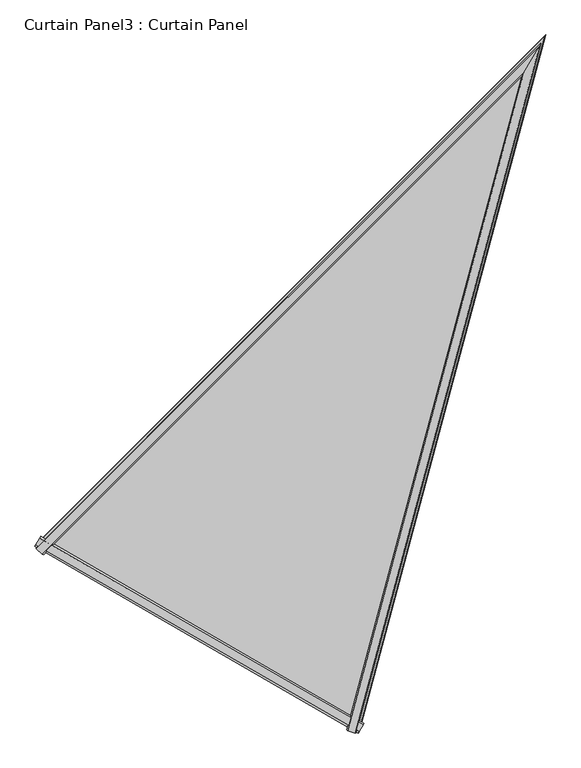
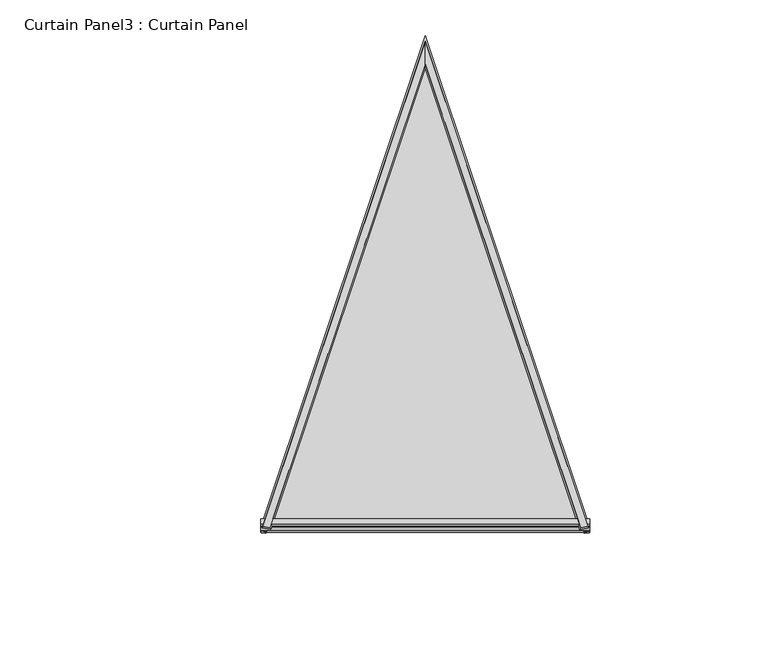
"""IFC4 building model written with IfcOpenShell, lengths in millimetres: plate geometry, Curtain Panel3 : Curtain Panel."""

from ifc_helpers import new_model, si_unit, frame, origin, place, context, project, spatial, polyline, outline, extrude, faceted_brep, source, transform, mapped, element, save


def curtain_panel3_curtain_panel_67087af9(model_context):
    return source(origin(), model_context, "Body", "SolidModel", [
        faceted_brep([(-12631.6485418, -15151.5500431, 3572.8357707), (-12612.0836698, -15157.1712314, 3574.1990167), (-12614.0237471, -15157.9990891, 3579.0574643), (-12629.8300506, -15153.4968094, 3578.0968171), (-13245.9565674, -14796.7102761, 3572.8763378), (-13248.5517621, -14796.1087996, 3578.1373842), (-13260.3540025, -14784.6712791, 3579.0980314), (-13260.6070953, -14782.5771941, 3574.2395838), (-12276.8369937, -13827.5329951, 3940.1258352), (-12237.5134611, -13759.4226386, 3961.9426425), (-12240.7200471, -13764.9766085, 3965.490039), (-12272.4696934, -13819.9686091, 3948.0253309)], [[[0, 1, 2, 3]], [[4, 5, 6, 7]], [[1, 0, 8, 4, 7, 9]], [[2, 1, 9, 10]], [[3, 2, 10, 11]], [[0, 3, 11, 8]], [[10, 9, 7, 6]], [[11, 10, 6, 5]], [[8, 11, 5, 4]]]),
        faceted_brep([(-12619.7817924, -15151.5050388, 3561.2099563), (-12618.3265606, -15150.7477664, 3557.0743294), (-12607.2115917, -15153.7263442, 3557.0742438), (-12606.5777944, -15155.2986829, 3562.1299877), (-13251.8509673, -14786.4108675, 3561.2505234), (-13261.7383584, -14776.8726919, 3562.1705548), (-13260.0597745, -14776.6354071, 3557.1148109), (-13251.922766, -14784.7719636, 3557.1148965), (-12254.713561, -13789.2140856, 3939.1174258), (-12252.3765017, -13785.1661802, 3935.8946397), (-12230.1439282, -13746.6582333, 3947.4031584), (-12228.1747804, -13743.2475692, 3953.8412165)], [[[0, 1, 2, 3]], [[4, 5, 6, 7]], [[1, 0, 8, 9]], [[2, 1, 9, 10]], [[3, 2, 10, 11]], [[0, 3, 11, 5, 4, 8]], [[9, 8, 4, 7]], [[10, 9, 7, 6]], [[11, 10, 6, 5]]]),
        extrude(outline(polyline([(17.5121093, 24.3595661), (22.7893319, 21.7277719), (22.6447077, 5.2653395), (17.5121094, 3.9575952), (17.5121093, 24.3595661)])), frame((-12605.908231, -15154.0590831, 3557.6297916), z_axis=(-0.8660254037844387, 0.5000000000000001, 0.0), x_axis=(-0.13365358018178203, -0.23149479148832924, 0.9636113749942801)), (0.0, 0.0, 1.0), 756.557334),
        extrude(outline(polyline([(4.7128906, 13.7689417), (4.7128906, 0.0), (-2.7865805, 2.0074497), (0.2150477, 12.8285247), (4.7128906, 13.7689417)])), frame((-12605.908231, -15154.0590831, 3557.6297916), z_axis=(-0.8660254037844387, 0.5000000000000001, 0.0), x_axis=(-0.13365358018178203, -0.23149479148832924, 0.9636113749942801)), (0.0, 0.0, 1.0), 756.557334),
        extrude(outline(polyline([(-29.6325346, 0.0), (-218.7706082, -732.6158547), (-1543.0750439, 0.0), (-29.6325346, 0.0)])), frame((-12613.9127334, -15182.8172177, 3554.5016652), z_axis=(-0.13365358018178203, -0.2314947914883293, 0.9636113749942801), x_axis=(-0.25002764408225653, -0.9330047598813845, -0.2588209713940438)), (0.0, 0.0, 1.0), 12.7992188),
    ])


if __name__ == "__main__":
    model = new_model("IFC4")
    model_context = context("Model", 3, world=origin())
    ifc_project = project(units=[si_unit("LENGTHUNIT", "METRE", prefix="MILLI")], contexts=[model_context])
    site = spatial("IfcSite", under=ifc_project)
    building = spatial("IfcBuilding", under=site)
    placement = place(None, origin())
    curtain_panel3_curtain_panel_shape = curtain_panel3_curtain_panel_67087af9(model_context)
    element("IfcPlate", 1, ObjectType="Curtain Panel3 : Curtain Panel", at=placement, inside=building, context=model_context, shape_type="MappedRepresentation", body=[
        mapped(curtain_panel3_curtain_panel_shape, transform((0.0, 0.0, 0.0), x_axis=(1.0, 0.0, 0.0), y_axis=(0.0, 1.0, 0.0), z_axis=(0.0, 0.0, 1.0))),
    ])
    save(model, "model.ifc")
